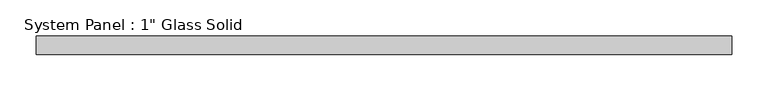
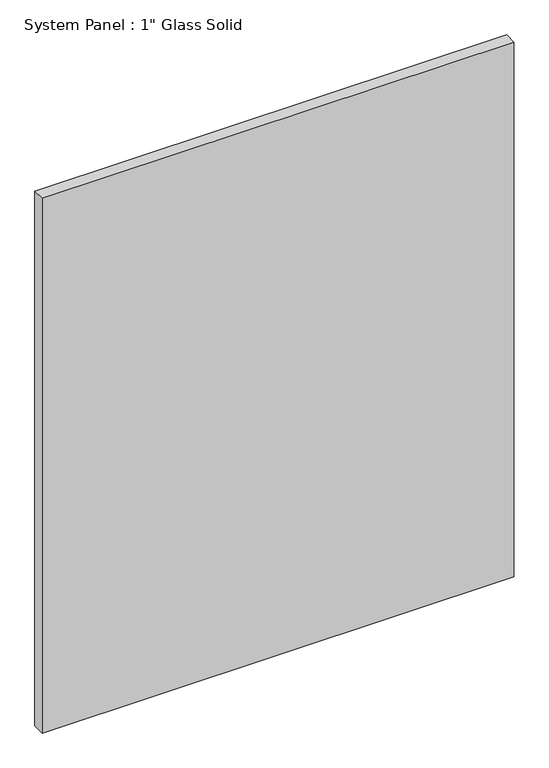
"""IFC4 building model written with IfcOpenShell, lengths in millimetres: plate geometry."""

import ifcopenshell
import ifcopenshell.guid

model = None  # the IFC model being written
_history = None  # IfcOwnerHistory: only IFC2X3 demands one
_inside = {}  # id of a spatial element -> (the spatial element, [elements in it])
_under = {}  # id of a project, library or spatial element -> (it, [spatial elements below it])
_declared = {}  # id of a project -> (the project, [libraries it declares])
_typed = {}  # id of a type object -> (the type object, [elements of that type])
_made_of = {}  # id of a material, layer set ... -> (it, [elements and type objects made of it])


def new_model(schema):
    """Start an empty IFC model of exactly this schema.

    Asked for "IFC4X3", IfcOpenShell would pick the latest addendum, in which some entities
    have other attributes; the version numbers below select the first issue.
    IFC2X3 requires an IfcOwnerHistory on every rooted entity: one is made here for all.
    """
    global model, _history
    if schema == "IFC4X3":
        model = ifcopenshell.file(schema_version=(4, 3, 0, 0))
    else:
        model = ifcopenshell.file(schema=schema)
    _inside.clear()
    _under.clear()
    _declared.clear()
    _typed.clear()
    _made_of.clear()
    _history = None
    if model.schema == "IFC2X3":
        org = make("IfcOrganization", Name="unknown")
        user = make(
            "IfcPersonAndOrganization",
            ThePerson=make("IfcPerson", FamilyName="unknown"),
            TheOrganization=org,
        )
        app = make(
            "IfcApplication",
            ApplicationDeveloper=org,
            Version="unknown",
            ApplicationFullName="unknown",
            ApplicationIdentifier="unknown",
        )
        _history = make(
            "IfcOwnerHistory",
            OwningUser=user,
            OwningApplication=app,
            ChangeAction="ADDED",
            CreationDate=0,
        )
    return model


def make(cls, **values):
    """One entity of the class cls with the attributes given. An attribute that is None is left unset."""
    return model.create_entity(
        cls, **{name: value for name, value in values.items() if value is not None}
    )


def rooted(cls, **values):
    """An entity with a GlobalId (a new one), such as an element, a storey or a relation."""
    return make(cls, GlobalId=ifcopenshell.guid.new(), OwnerHistory=_history, **values)


def si_unit(unit_type, name, prefix=None):
    """IfcSIUnit, for example si_unit("LENGTHUNIT", "METRE", prefix="MILLI")."""
    return make("IfcSIUnit", UnitType=unit_type, Prefix=prefix, Name=name)


def assignment(units):
    """IfcUnitAssignment: the units of a project."""
    return None if units is None else make("IfcUnitAssignment", Units=units)


def point(xyz):
    """IfcCartesianPoint."""
    return None if xyz is None else make("IfcCartesianPoint", Coordinates=xyz)


def direction(xyz):
    """IfcDirection."""
    return None if xyz is None else make("IfcDirection", DirectionRatios=xyz)


def frame(location, z_axis=None, x_axis=None):
    """IfcAxis2Placement3D, a coordinate frame: its origin and axes. An axis left out is left unset."""
    return make(
        "IfcAxis2Placement3D",
        Location=point(location),
        Axis=direction(z_axis),
        RefDirection=direction(x_axis),
    )


def origin():
    """The frame at (0, 0, 0) with its axes left unset."""
    return frame((0.0, 0.0, 0.0))


def origin_with_axes():
    """The frame at (0, 0, 0) with the z axis (0, 0, 1) and the x axis (1, 0, 0) written out."""
    return frame((0.0, 0.0, 0.0), z_axis=(0.0, 0.0, 1.0), x_axis=(1.0, 0.0, 0.0))


def place(relative_to, where):
    """IfcLocalPlacement: puts the frame where relative to a parent placement (None: the world)."""
    return make(
        "IfcLocalPlacement", PlacementRelTo=relative_to, RelativePlacement=where
    )


def context(
    kind, dimensions, precision=None, world=None, true_north=None, identifier=None
):
    """IfcGeometricRepresentationContext, for example the 3D "Model" context."""
    return make(
        "IfcGeometricRepresentationContext",
        ContextIdentifier=identifier,
        ContextType=kind,
        CoordinateSpaceDimension=dimensions,
        Precision=precision,
        WorldCoordinateSystem=world,
        TrueNorth=true_north,
    )


def project(units=None, contexts=None):
    """IfcProject with its units and contexts."""
    return rooted(
        "IfcProject",
        Name="project",
        RepresentationContexts=contexts,
        UnitsInContext=assignment(units),
    )


def spatial(cls, under=None, at=None, **own):
    """A site, building, storey or space (cls), placed at a placement, below another one or the project."""
    s = rooted(cls, ObjectPlacement=at, **own)
    if under is not None:
        _under.setdefault(under.id(), (under, []))[1].append(s)
    return s


def polyline(points):
    """IfcPolyline through the points."""
    return make("IfcPolyline", Points=[point(p) for p in points])


def outline(outer, holes=None, kind="AREA"):
    """IfcArbitraryClosedProfileDef: a profile drawn as a closed curve; with holes, ...WithVoids."""
    if holes is None:
        return make("IfcArbitraryClosedProfileDef", ProfileType=kind, OuterCurve=outer)
    return make(
        "IfcArbitraryProfileDefWithVoids",
        ProfileType=kind,
        OuterCurve=outer,
        InnerCurves=holes,
    )


def extrude(swept, where, along, depth):
    """IfcExtrudedAreaSolid: the profile swept, set in the frame where, extruded along a direction by depth."""
    return make(
        "IfcExtrudedAreaSolid",
        SweptArea=swept,
        Position=where,
        ExtrudedDirection=direction(along),
        Depth=depth,
    )


def shape(context_of_items, identifier, shape_type, items):
    """IfcShapeRepresentation: the items that make up one representation, for example the "Body"."""
    return make(
        "IfcShapeRepresentation",
        ContextOfItems=context_of_items,
        RepresentationIdentifier=identifier,
        RepresentationType=shape_type,
        Items=items,
    )


def source(mapping_origin, context_of_items, identifier, shape_type, items):
    """IfcRepresentationMap: a shape defined once, which mapped items show again and again."""
    return make(
        "IfcRepresentationMap",
        MappingOrigin=mapping_origin,
        MappedRepresentation=shape(context_of_items, identifier, shape_type, items),
    )


def transform(
    local_origin,
    x_axis=None,
    y_axis=None,
    z_axis=None,
    scale=None,
    scale2=None,
    scale3=None,
    uniform=True,
):
    """IfcCartesianTransformationOperator3D, or its non-uniform kind. x_axis, y_axis, z_axis: its Axis1, 2, 3."""
    if uniform:
        return make(
            "IfcCartesianTransformationOperator3D",
            Axis1=direction(x_axis),
            Axis2=direction(y_axis),
            LocalOrigin=point(local_origin),
            Scale=scale,
            Axis3=direction(z_axis),
        )
    return make(
        "IfcCartesianTransformationOperator3DnonUniform",
        Axis1=direction(x_axis),
        Axis2=direction(y_axis),
        LocalOrigin=point(local_origin),
        Scale=scale,
        Axis3=direction(z_axis),
        Scale2=scale2,
        Scale3=scale3,
    )


def mapped(mapping_source, mapping_target):
    """IfcMappedItem: shows the shape of a source again, moved by a transform."""
    return make(
        "IfcMappedItem", MappingSource=mapping_source, MappingTarget=mapping_target
    )


def made_of(thing, what):
    """Note that an element or type object is made of a material, layer set ...; save() writes the relation."""
    if what is not None:
        _made_of.setdefault(what.id(), (what, []))[1].append(thing)
    return thing


def element(
    cls,
    number,
    at=None,
    inside=None,
    cuts=None,
    type_object=None,
    material=None,
    context=None,
    identifier="Body",
    shape_type=None,
    held_by="IfcProductDefinitionShape",
    body=None,
    shapes=None,
    **own,
):
    """One element of the class cls, such as IfcWall. Its Tag is "e" and its number.

    at: its placement. inside: the storey or other place that contains it. cuts: it is an
    opening in that element (IfcRelVoidsElement). A single representation is given by context,
    identifier, shape_type and body (its items); several are given by shapes. held_by: the class
    of the entity that holds the representations. save() writes the other relations.
    """
    e = rooted(cls, Tag="e%d" % number, ObjectPlacement=at, **own)
    if body is not None:
        shapes = [shape(context, identifier, shape_type, body)]
    if shapes is not None:
        e.Representation = make(held_by, Representations=shapes)
    if inside is not None:
        _inside.setdefault(inside.id(), (inside, []))[1].append(e)
    if cuts is not None:
        rooted(
            "IfcRelVoidsElement", RelatingBuildingElement=cuts, RelatedOpeningElement=e
        )
    if type_object is not None:
        _typed.setdefault(type_object.id(), (type_object, []))[1].append(e)
    return made_of(e, material)


def aggregate(whole, parts):
    """IfcRelAggregates: a whole, such as a stair, and the parts it consists of."""
    return rooted("IfcRelAggregates", RelatingObject=whole, RelatedObjects=parts)


def save(model, path):
    """Write the relations noted so far, then the file.

    IfcRelAggregates (storeys below a building ...), IfcRelContainedInSpatialStructure (elements
    in a storey), IfcRelDefinesByType, IfcRelAssociatesMaterial and IfcRelDeclares: one each for
    every whole, place, type object, material and project.
    """
    for whole, parts in _under.values():
        aggregate(whole, parts)
    for where, things in _inside.values():
        rooted(
            "IfcRelContainedInSpatialStructure",
            RelatedElements=things,
            RelatingStructure=where,
        )
    for kind, things in _typed.values():
        rooted("IfcRelDefinesByType", RelatedObjects=things, RelatingType=kind)
    for what, things in _made_of.values():
        rooted("IfcRelAssociatesMaterial", RelatedObjects=things, RelatingMaterial=what)
    for by, libraries in _declared.values():
        rooted("IfcRelDeclares", RelatingContext=by, RelatedDefinitions=libraries)
    model.write(path)


def plate_47244145(model_context):
    return source(origin(), model_context, "Body", "SweptSolid", [
        extrude(outline(polyline([(479.4258852, -12.7), (-479.4258852, -12.7), (-479.4258852, 12.7), (479.4258852, 12.7), (479.4258852, -12.7)])), origin_with_axes(), (0.0, 0.0, 1.0), 1149.3517704),
    ])


if __name__ == "__main__":
    model = new_model("IFC4")
    model_context = context("Model", 3, world=origin())
    ifc_project = project(units=[si_unit("LENGTHUNIT", "METRE", prefix="MILLI")], contexts=[model_context])
    site = spatial("IfcSite", under=ifc_project)
    building = spatial("IfcBuilding", under=site)
    placement = place(None, origin())
    plate_shape = plate_47244145(model_context)
    element("IfcPlate", 1, ObjectType="System Panel : 1\" Glass Solid", at=placement, inside=building, context=model_context, shape_type="MappedRepresentation", body=[
        mapped(plate_shape, transform((0.0, 0.0, 0.0), x_axis=(1.0, 0.0, 0.0), y_axis=(0.0, 1.0, 0.0), z_axis=(0.0, 0.0, 1.0))),
    ])
    save(model, "model.ifc")
